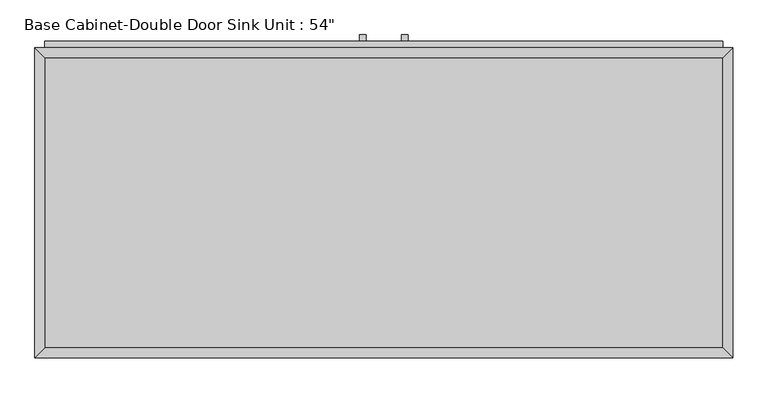
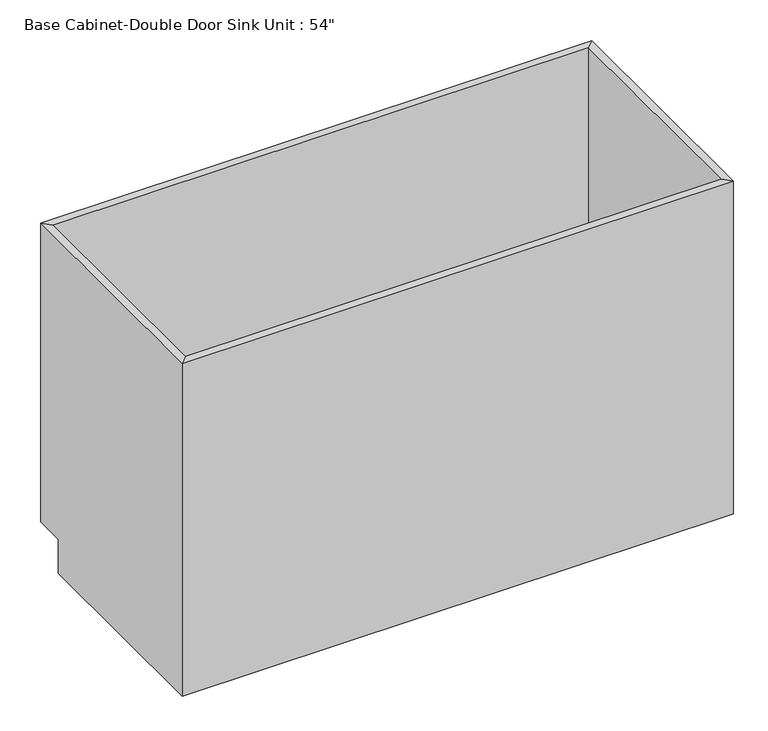
"""IFC4 building model written with IfcOpenShell, lengths in millimetres: furniture geometry."""

from ifc_helpers import new_model, si_unit, frame, origin, place, context, project, spatial, polyline, outline, extrude, faceted_brep, source, transform, mapped, element, save


def furniture_02f60b11(model_context):
    return source(origin(), model_context, "Body", "SolidModel", [
        faceted_brep([(685.4877049, 590.55, 876.3), (-648.0122951, 590.55, 876.3), (-648.0122951, 590.55, 88.9), (685.4877049, 590.55, 88.9), (704.5377049, 609.6, 876.3), (-667.0622951, 609.6, 876.3), (704.5377049, 609.6, 88.9), (-667.0622951, 609.6, 88.9), (-648.0122951, 19.05, 876.3), (-648.0122951, 19.05, 88.9), (-648.0122951, 533.4, 88.9), (-667.0622951, 0.0, 876.3), (-667.0622951, 533.4, 88.9), (-667.0622951, 533.4, 0.0), (-667.0622951, 0.0, 0.0), (685.4877049, 19.05, 876.3), (685.4877049, 19.05, 88.9), (704.5377049, 0.0, 876.3), (704.5377049, 0.0, 0.0), (685.4877049, 533.4, 88.9), (704.5377049, 533.4, 0.0), (704.5377049, 533.4, 88.9)], [[[0, 1, 2, 3]], [[0, 4, 5, 1]], [[4, 6, 7, 5]], [[2, 7, 6, 3]], [[1, 8, 9, 10, 2]], [[5, 11, 8, 1]], [[7, 12, 13, 14, 11, 5]], [[2, 10, 12, 7]], [[8, 15, 16, 9]], [[11, 17, 15, 8]], [[14, 18, 17, 11]], [[3, 19, 16, 15, 0]], [[0, 15, 17, 4]], [[4, 17, 18, 20, 21, 6]], [[6, 21, 19, 3]], [[10, 9, 16, 19]], [[18, 14, 13, 20]], [[13, 12, 10, 19, 21, 20]]]),
        extrude(outline(polyline([(-16.1872951, 635.0), (-16.1872951, 622.3), (-28.8872951, 622.3), (-28.8872951, 635.0), (-16.1872951, 635.0)])), frame((0.0, 0.0, 573.769895), z_axis=(0.0, 0.0, 1.0), x_axis=(1.0, 0.0, 0.0)), (0.0, 0.0, 1.0), 124.730105),
        extrude(outline(polyline([(66.3627049, 635.0), (66.3627049, 622.3), (53.6627049, 622.3), (53.6627049, 635.0), (66.3627049, 635.0)])), frame((0.0, 0.0, 573.769895), z_axis=(0.0, 0.0, 1.0), x_axis=(1.0, 0.0, 0.0)), (0.0, 0.0, 1.0), 124.730105),
        extrude(outline(polyline([(685.4877049, 19.05), (-648.0122951, 19.05), (-648.0122951, 590.55), (685.4877049, 590.55), (685.4877049, 19.05)])), frame((0.0, 0.0, 88.9), z_axis=(0.0, 0.0, 1.0), x_axis=(1.0, 0.0, 0.0)), (0.0, 0.0, 1.0), 19.05),
        extrude(outline(polyline([(9.2127049, 622.3), (9.2127049, 609.6), (-648.0122951, 609.6), (-648.0122951, 622.3), (9.2127049, 622.3)])), frame((0.0, 0.0, 107.95), z_axis=(0.0, 0.0, 1.0), x_axis=(1.0, 0.0, 0.0)), (0.0, 0.0, 1.0), 628.65),
        extrude(outline(polyline([(685.4877049, 622.3), (685.4877049, 609.6), (28.2627049, 609.6), (28.2627049, 622.3), (685.4877049, 622.3)])), frame((0.0, 0.0, 107.95), z_axis=(0.0, 0.0, 1.0), x_axis=(1.0, 0.0, 0.0)), (0.0, 0.0, 1.0), 628.65),
        extrude(outline(polyline([(685.4877049, 622.3), (685.4877049, 609.6), (-648.0122951, 609.6), (-648.0122951, 622.3), (685.4877049, 622.3)])), frame((0.0, 0.0, 755.65), z_axis=(0.0, 0.0, 1.0), x_axis=(1.0, 0.0, 0.0)), (0.0, 0.0, 1.0), 101.6),
    ])


if __name__ == "__main__":
    model = new_model("IFC4")
    model_context = context("Model", 3, world=origin())
    ifc_project = project(units=[si_unit("LENGTHUNIT", "METRE", prefix="MILLI")], contexts=[model_context])
    site = spatial("IfcSite", under=ifc_project)
    building = spatial("IfcBuilding", under=site)
    placement = place(None, origin())
    furniture_shape = furniture_02f60b11(model_context)
    element("IfcFurniture", 1, ObjectType="Base Cabinet-Double Door Sink Unit : 54\"", at=placement, inside=building, context=model_context, shape_type="MappedRepresentation", body=[
        mapped(furniture_shape, transform((0.0, 0.0, 0.0), x_axis=(1.0, 0.0, 0.0), y_axis=(0.0, 1.0, 0.0), z_axis=(0.0, 0.0, 1.0))),
    ])
    save(model, "model.ifc")
